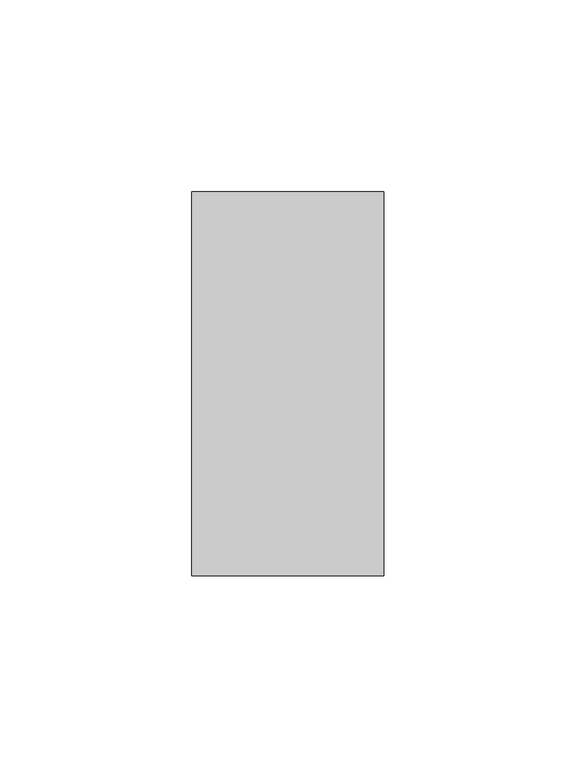
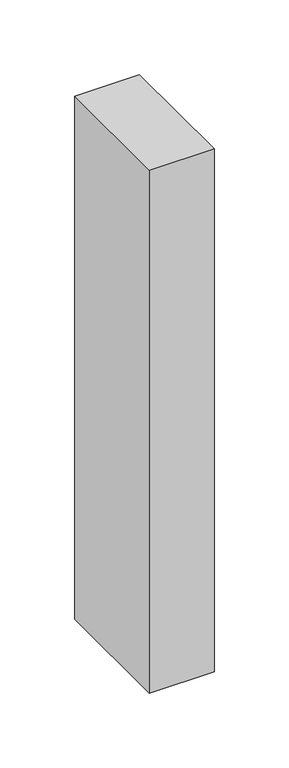
"""IFC4 building model written with IfcOpenShell, lengths in millimetres: member geometry."""

from ifc_helpers import new_model, si_unit, frame, origin, place, context, project, spatial, polyline, outline, extrude, source, transform, mapped, element, save


def member_c7e3d4ae(model_context):
    return source(origin(), model_context, "Body", "SweptSolid", [
        extrude(outline(polyline([(0.0, 50.0), (0.0, -50.0), (-50.0, -50.0), (-50.0, 50.0), (0.0, 50.0)])), frame((0.0, 0.0, -427.3076923), z_axis=(0.0, 0.0, 1.0), x_axis=(1.0, 0.0, 0.0)), (0.0, 0.0, 1.0), 427.3076923),
    ])


if __name__ == "__main__":
    model = new_model("IFC4")
    model_context = context("Model", 3, world=origin())
    ifc_project = project(units=[si_unit("LENGTHUNIT", "METRE", prefix="MILLI")], contexts=[model_context])
    site = spatial("IfcSite", under=ifc_project)
    building = spatial("IfcBuilding", under=site)
    placement = place(None, origin())
    member_shape = member_c7e3d4ae(model_context)
    element("IfcMember", 1, at=placement, inside=building, context=model_context, shape_type="MappedRepresentation", body=[
        mapped(member_shape, transform((0.0, 0.0, 0.0), x_axis=(1.0, 0.0, 0.0), y_axis=(0.0, 1.0, 0.0), z_axis=(0.0, 0.0, 1.0))),
    ])
    save(model, "model.ifc")
